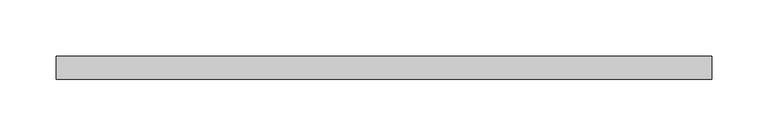
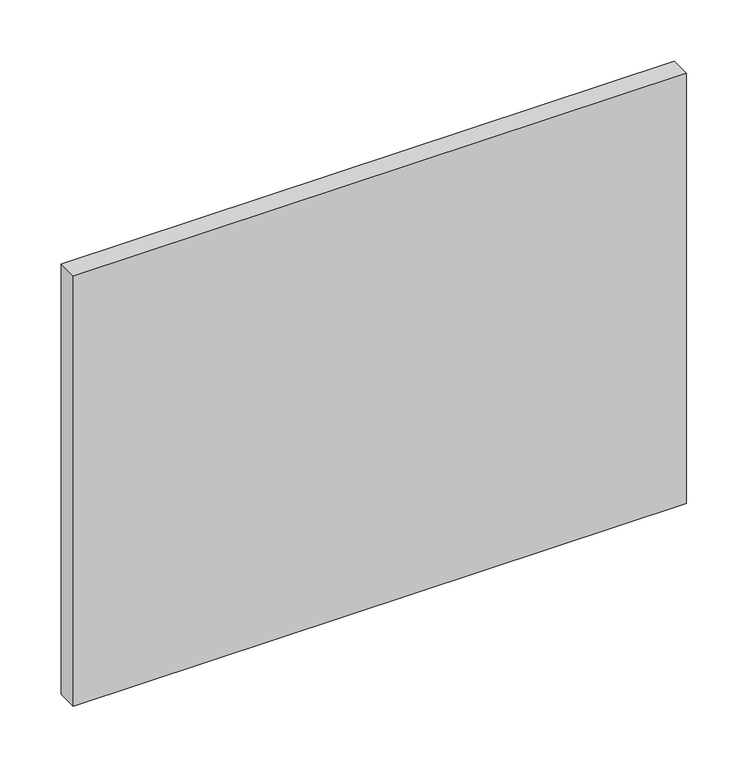
"""IFC4 building model written with IfcOpenShell, lengths in millimetres: plate geometry."""

from ifc_helpers import new_model, si_unit, origin, origin_with_axes, place, context, project, spatial, polyline, outline, extrude, source, transform, mapped, element, save


def plate_ff97916c(model_context):
    return source(origin(), model_context, "Body", "SweptSolid", [
        extrude(outline(polyline([(290.0, 70.0), (-290.0, 70.0), (-290.0, 90.0), (290.0, 90.0), (290.0, 70.0)])), origin_with_axes(), (0.0, 0.0, 1.0), 430.1707317),
    ])


if __name__ == "__main__":
    model = new_model("IFC4")
    model_context = context("Model", 3, world=origin())
    ifc_project = project(units=[si_unit("LENGTHUNIT", "METRE", prefix="MILLI")], contexts=[model_context])
    site = spatial("IfcSite", under=ifc_project)
    building = spatial("IfcBuilding", under=site)
    placement = place(None, origin())
    plate_shape = plate_ff97916c(model_context)
    element("IfcPlate", 1, at=placement, inside=building, context=model_context, shape_type="MappedRepresentation", body=[
        mapped(plate_shape, transform((0.0, 0.0, 0.0), x_axis=(1.0, 0.0, 0.0), y_axis=(0.0, 1.0, 0.0), z_axis=(0.0, 0.0, 1.0))),
    ])
    save(model, "model.ifc")
